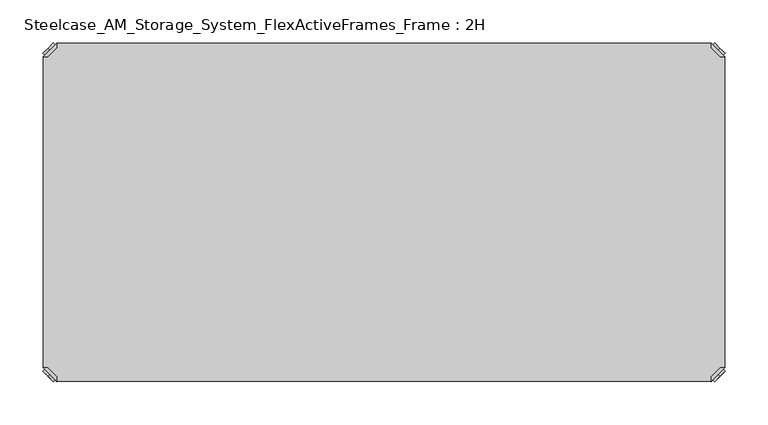
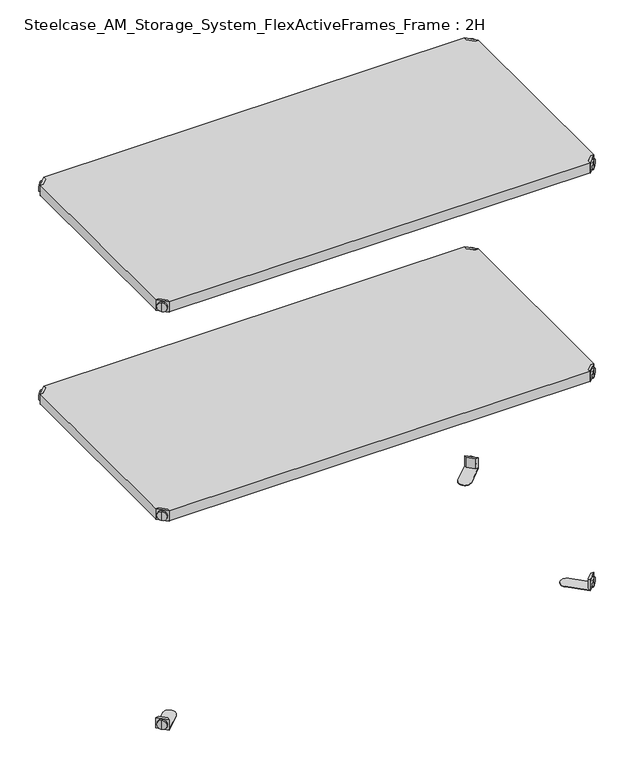
"""IFC4 building model written with IfcOpenShell, lengths in millimetres: furniture geometry, Steelcase_AM_Storage_System_FlexActiveFrames_Frame : 2H."""

from ifc_helpers import new_model, si_unit, frame, origin, place, context, project, spatial, polyline, circle_curve, outline, extrude, source, transform, mapped, element, save
from ifc_brep_helpers import plane_surface, cylinder_surface, advanced_brep


def steelcase_am_storage_system_flexactiveframes_frame_2h_59649669(model_context):
    return source(origin(), model_context, "Body", "SolidModel", [
        advanced_brep(
        [(789.0398449, -10.9601551, 498.5), (789.0398449, -10.9601551, 507.0), (789.0398449, -10.9601551, 515.5), (791.1611652, -8.8388348, 498.5), (791.1611652, -8.8388348, 515.5), (791.1611652, -8.8388348, 507.0)],
        [
            (0, 1),
            (1, 2),
            (2, 0, circle_curve(frame((789.0398449, -10.9601551, 507.0), z_axis=(-0.7071067811865556, -0.7071067811865395, 0.0), x_axis=(0.0, 0.0, 1.0)), 8.5)),
            (0, 2, circle_curve(frame((789.0398449, -10.9601551, 507.0), z_axis=(-0.7071067811865556, -0.7071067811865395, 0.0), x_axis=(0.0, 0.0, 1.0)), 8.5)),
            (3, 0),
            (2, 4),
            (4, 3, circle_curve(frame((791.1611652, -8.8388348, 507.0), z_axis=(-0.7071067811865556, -0.7071067811865395, 0.0), x_axis=(0.0, 0.0, 1.0)), 8.5)),
            (3, 4, circle_curve(frame((791.1611652, -8.8388348, 507.0), z_axis=(-0.7071067811865556, -0.7071067811865395, 0.0), x_axis=(0.0, 0.0, 1.0)), 8.5)),
            (5, 3),
            (4, 5),
        ],
        [
            plane_surface(frame((789.0398449, -10.9601551, 507.0), z_axis=(-0.7071067811865552, -0.7071067811865399, 0.0), x_axis=(0.0, 0.0, 1.0))),
            cylinder_surface(frame((791.1611652, -8.8388348, 507.0), z_axis=(0.7071067811865556, 0.7071067811865395, 0.0), x_axis=(0.0, 0.0, 1.0)), 8.5),
            plane_surface(frame((791.1611652, -8.8388348, 507.0), z_axis=(0.7071067811865552, 0.7071067811865399, 0.0), x_axis=(0.0, 0.0, 1.0))),
        ],
        [
            (0, [[1, 2, 3]]),
            (0, [[-2, -1, 4]]),
            (1, [[5, -3, 6, 7]]),
            (1, [[-6, -4, -5, 8]]),
            (2, [[9, -7, 10]]),
            (2, [[-10, -8, -9]]),
        ],
    ),
        advanced_brep(
        [(781.0796898, -3.0, 517.0), (781.0796898, -8.6568542, 517.0), (791.3431458, -18.9203102, 517.0), (797.0, -18.9203102, 517.0), (797.0, -18.9203102, 498.0), (797.0, -18.9203102, 497.0), (781.0796898, -3.0, 497.0), (781.0796898, -3.0, 498.0), (781.0796898, -8.6568542, 498.0), (791.3431458, -18.9203102, 498.0), (752.2702923, -31.8093975, 498.0), (768.1906025, -47.7297077, 498.0), (768.1906025, -47.7297077, 497.0), (752.2702923, -31.8093975, 497.0)],
        [
            (0, 1),
            (1, 2),
            (2, 3),
            (3, 0),
            (3, 4),
            (4, 5),
            (5, 6),
            (6, 7),
            (7, 0),
            (1, 8),
            (8, 9),
            (9, 2),
            (7, 8),
            (9, 4),
            (7, 10),
            (10, 11, circle_curve(frame((760.2304474, -39.7695526, 498.0), z_axis=(0.0, 0.0, 1.0), x_axis=(-1.0, 0.0, 0.0)), 11.2573593)),
            (11, 4),
            (5, 12),
            (12, 13, circle_curve(frame((760.2304474, -39.7695526, 497.0), z_axis=(0.0, 0.0, -1.0), x_axis=(-1.0, 0.0, 0.0)), 11.2573593)),
            (13, 6),
            (11, 12),
            (10, 13),
        ],
        [
            plane_surface(frame((838.8756299, -60.7959401, 517.0), z_axis=(0.0, 0.0, 1.0000000000000002), x_axis=(0.7071067811865465, -0.7071067811865487, 0.0))),
            plane_surface(frame((781.0796898, -3.0, 517.0), z_axis=(0.7071067811865487, 0.7071067811865465, 0.0), x_axis=(0.0, 0.0, -1.0))),
            plane_surface(frame((791.3431458, -18.9203102, 517.0), z_axis=(-0.7071067811865573, -0.7071067811865377, 0.0), x_axis=(0.0, 0.0, -1.0))),
            plane_surface(frame((781.0796898, -8.6568542, 517.0), z_axis=(-1.0, 0.0, 0.0), x_axis=(0.0, 0.0, -1.0))),
            plane_surface(frame((797.0, -18.9203102, 517.0), z_axis=(0.0, -1.0, 0.0), x_axis=(0.0, 0.0, -1.0))),
            plane_surface(frame((797.0, -18.9203102, 498.0), z_axis=(0.0, 0.0, 1.0), x_axis=(0.7071067811865392, -0.7071067811865558, 0.0))),
            plane_surface(frame((797.0, -18.9203102, 497.0), z_axis=(0.0, 0.0, -1.0), x_axis=(-0.7071067811865392, 0.7071067811865558, 0.0))),
            plane_surface(frame((797.0, -18.9203102, 498.0), z_axis=(0.7071067811865399, -0.7071067811865552, 0.0), x_axis=(0.0, 0.0, -1.0))),
            cylinder_surface(frame((760.2304474, -39.7695526, 497.0), z_axis=(0.0, 0.0, 1.0), x_axis=(-1.0, 0.0, 0.0)), 11.2573593),
            plane_surface(frame((752.2702923, -31.8093975, 498.0), z_axis=(-0.7071067811865388, 0.7071067811865563, 0.0), x_axis=(0.0, 0.0, -1.0))),
        ],
        [
            (0, [[1, 2, 3, 4]]),
            (1, [[5, 6, 7, 8, 9, -4]]),
            (2, [[10, 11, 12, -2]]),
            (3, [[-9, 13, -10, -1]]),
            (4, [[-12, 14, -5, -3]]),
            (5, [[-14, -11, -13, 15, 16, 17]]),
            (6, [[-7, 18, 19, 20]]),
            (7, [[21, -18, -6, -17]]),
            (8, [[22, -19, -21, -16]]),
            (9, [[-8, -20, -22, -15]]),
        ],
    ),
        advanced_brep(
        [(789.0398449, -389.0398449, 498.5), (789.0398449, -389.0398449, 515.5), (789.0398449, -389.0398449, 507.0), (791.1611652, -391.1611652, 498.5), (791.1611652, -391.1611652, 515.5), (791.1611652, -391.1611652, 507.0)],
        [
            (0, 1, circle_curve(frame((789.0398449, -389.0398449, 507.0), z_axis=(-0.7071067811865509, 0.7071067811865441, 0.0), x_axis=(0.0, 0.0, 1.0)), 8.5)),
            (1, 2),
            (2, 0),
            (1, 0, circle_curve(frame((789.0398449, -389.0398449, 507.0), z_axis=(-0.7071067811865509, 0.7071067811865441, 0.0), x_axis=(0.0, 0.0, 1.0)), 8.5)),
            (3, 4, circle_curve(frame((791.1611652, -391.1611652, 507.0), z_axis=(-0.7071067811865509, 0.7071067811865441, 0.0), x_axis=(0.0, 0.0, 1.0)), 8.5)),
            (4, 1),
            (0, 3),
            (4, 3, circle_curve(frame((791.1611652, -391.1611652, 507.0), z_axis=(-0.7071067811865509, 0.7071067811865441, 0.0), x_axis=(0.0, 0.0, 1.0)), 8.5)),
            (5, 4),
            (3, 5),
        ],
        [
            plane_surface(frame((789.0398449, -389.0398449, 507.0), z_axis=(-0.7071067811865506, 0.7071067811865446, 0.0), x_axis=(0.0, 0.0, 1.0))),
            cylinder_surface(frame((791.1611652, -391.1611652, 507.0), z_axis=(0.7071067811865509, -0.7071067811865441, 0.0), x_axis=(0.0, 0.0, 1.0)), 8.5),
            plane_surface(frame((791.1611652, -391.1611652, 507.0), z_axis=(0.7071067811865506, -0.7071067811865446, 0.0), x_axis=(0.0, 0.0, 1.0))),
        ],
        [
            (0, [[1, 2, 3]]),
            (0, [[4, -3, -2]]),
            (1, [[5, 6, -1, 7]]),
            (1, [[8, -7, -4, -6]]),
            (2, [[9, -5, 10]]),
            (2, [[-10, -8, -9]]),
        ],
    ),
        advanced_brep(
        [(781.0796898, -397.0, 517.0), (797.0, -381.0796898, 517.0), (791.3431458, -381.0796898, 517.0), (781.0796898, -391.3431458, 517.0), (781.0796898, -397.0, 498.0), (781.0796898, -397.0, 497.0), (797.0, -381.0796898, 497.0), (797.0, -381.0796898, 498.0), (791.3431458, -381.0796898, 498.0), (781.0796898, -391.3431458, 498.0), (768.1906025, -352.2702923, 498.0), (752.2702923, -368.1906025, 498.0), (752.2702923, -368.1906025, 497.0), (768.1906025, -352.2702923, 497.0)],
        [
            (0, 1),
            (1, 2),
            (2, 3),
            (3, 0),
            (0, 4),
            (4, 5),
            (5, 6),
            (6, 7),
            (7, 1),
            (2, 8),
            (8, 9),
            (9, 3),
            (9, 4),
            (7, 8),
            (7, 10),
            (10, 11, circle_curve(frame((760.2304474, -360.2304474, 498.0), z_axis=(0.0, 0.0, 1.0), x_axis=(-1.0, 0.0, 0.0)), 11.2573593)),
            (11, 4),
            (5, 12),
            (12, 13, circle_curve(frame((760.2304474, -360.2304474, 497.0), z_axis=(0.0, 0.0, -1.0), x_axis=(-1.0, 0.0, 0.0)), 11.2573593)),
            (13, 6),
            (13, 10),
            (12, 11),
        ],
        [
            plane_surface(frame((838.8756299, -339.2040599, 517.0), z_axis=(0.0, 0.0, 1.0000000000000002), x_axis=(0.7071067811865511, 0.707106781186544, 0.0))),
            plane_surface(frame((781.0796898, -397.0, 517.0), z_axis=(0.707106781186544, -0.7071067811865511, 0.0), x_axis=(0.0, 0.0, -1.0))),
            plane_surface(frame((791.3431458, -381.0796898, 517.0), z_axis=(-0.7071067811865527, 0.7071067811865424, 0.0), x_axis=(0.0, 0.0, -1.0))),
            plane_surface(frame((781.0796898, -391.3431458, 517.0), z_axis=(-1.0, 0.0, 0.0), x_axis=(0.0, 0.0, -1.0))),
            plane_surface(frame((797.0, -381.0796898, 517.0), z_axis=(0.0, 1.0, 0.0), x_axis=(0.0, 0.0, -1.0))),
            plane_surface(frame((797.0, -381.0796898, 498.0), z_axis=(0.0, 0.0, 1.0), x_axis=(0.7071067811865439, 0.7071067811865511, 0.0))),
            plane_surface(frame((797.0, -381.0796898, 497.0), z_axis=(0.0, 0.0, -1.0), x_axis=(-0.7071067811865439, -0.7071067811865511, 0.0))),
            plane_surface(frame((797.0, -381.0796898, 498.0), z_axis=(0.7071067811865446, 0.7071067811865506, 0.0), x_axis=(0.0, 0.0, -1.0))),
            cylinder_surface(frame((760.2304474, -360.2304474, 497.0), z_axis=(0.0, 0.0, 1.0), x_axis=(-1.0, 0.0, 0.0)), 11.2573593),
            plane_surface(frame((752.2702923, -368.1906025, 498.0), z_axis=(-0.7071067811865435, -0.7071067811865517, 0.0), x_axis=(0.0, 0.0, -1.0))),
        ],
        [
            (0, [[1, 2, 3, 4]]),
            (1, [[-1, 5, 6, 7, 8, 9]]),
            (2, [[-3, 10, 11, 12]]),
            (3, [[-4, -12, 13, -5]]),
            (4, [[-2, -9, 14, -10]]),
            (5, [[15, 16, 17, -13, -11, -14]]),
            (6, [[18, 19, 20, -7]]),
            (7, [[-15, -8, -20, 21]]),
            (8, [[-16, -21, -19, 22]]),
            (9, [[-17, -22, -18, -6]]),
        ],
    ),
        advanced_brep(
        [(10.9601551, -389.0398449, 498.5), (10.9601551, -389.0398449, 507.0), (10.9601551, -389.0398449, 515.5), (8.8388348, -391.1611652, 498.5), (8.8388348, -391.1611652, 515.5), (8.8388348, -391.1611652, 507.0)],
        [
            (0, 1),
            (1, 2),
            (2, 0, circle_curve(frame((10.9601551, -389.0398449, 507.0), z_axis=(0.7071067811865509, 0.7071067811865441, 0.0), x_axis=(0.0, 0.0, 1.0)), 8.5)),
            (0, 2, circle_curve(frame((10.9601551, -389.0398449, 507.0), z_axis=(0.7071067811865509, 0.7071067811865441, 0.0), x_axis=(0.0, 0.0, 1.0)), 8.5)),
            (3, 0),
            (2, 4),
            (4, 3, circle_curve(frame((8.8388348, -391.1611652, 507.0), z_axis=(0.7071067811865509, 0.7071067811865441, 0.0), x_axis=(0.0, 0.0, 1.0)), 8.5)),
            (3, 4, circle_curve(frame((8.8388348, -391.1611652, 507.0), z_axis=(0.7071067811865509, 0.7071067811865441, 0.0), x_axis=(0.0, 0.0, 1.0)), 8.5)),
            (5, 3),
            (4, 5),
        ],
        [
            plane_surface(frame((10.9601551, -389.0398449, 507.0), z_axis=(0.7071067811865506, 0.7071067811865446, 0.0), x_axis=(0.0, 0.0, 1.0))),
            cylinder_surface(frame((8.8388348, -391.1611652, 507.0), z_axis=(-0.7071067811865509, -0.7071067811865441, 0.0), x_axis=(0.0, 0.0, 1.0)), 8.5),
            plane_surface(frame((8.8388348, -391.1611652, 507.0), z_axis=(-0.7071067811865506, -0.7071067811865446, 0.0), x_axis=(0.0, 0.0, 1.0))),
        ],
        [
            (0, [[1, 2, 3]]),
            (0, [[-2, -1, 4]]),
            (1, [[5, -3, 6, 7]]),
            (1, [[-6, -4, -5, 8]]),
            (2, [[9, -7, 10]]),
            (2, [[-10, -8, -9]]),
        ],
    ),
        advanced_brep(
        [(18.9203102, -397.0, 517.0), (18.9203102, -391.3431458, 517.0), (8.6568542, -381.0796898, 517.0), (3.0, -381.0796898, 517.0), (3.0, -381.0796898, 498.0), (3.0, -381.0796898, 497.0), (18.9203102, -397.0, 497.0), (18.9203102, -397.0, 498.0), (18.9203102, -391.3431458, 498.0), (8.6568542, -381.0796898, 498.0), (47.7297077, -368.1906025, 498.0), (31.8093975, -352.2702923, 498.0), (31.8093975, -352.2702923, 497.0), (47.7297077, -368.1906025, 497.0)],
        [
            (0, 1),
            (1, 2),
            (2, 3),
            (3, 0),
            (3, 4),
            (4, 5),
            (5, 6),
            (6, 7),
            (7, 0),
            (1, 8),
            (8, 9),
            (9, 2),
            (7, 8),
            (9, 4),
            (7, 10),
            (10, 11, circle_curve(frame((39.7695526, -360.2304474, 498.0), z_axis=(0.0, 0.0, 1.0), x_axis=(1.0, 0.0, 0.0)), 11.2573593)),
            (11, 4),
            (5, 12),
            (12, 13, circle_curve(frame((39.7695526, -360.2304474, 497.0), z_axis=(0.0, 0.0, -1.0), x_axis=(1.0, 0.0, 0.0)), 11.2573593)),
            (13, 6),
            (11, 12),
            (10, 13),
        ],
        [
            plane_surface(frame((-38.8756299, -339.2040599, 517.0), z_axis=(0.0, 0.0, 1.0000000000000002), x_axis=(-0.7071067811865511, 0.707106781186544, 0.0))),
            plane_surface(frame((18.9203102, -397.0, 517.0), z_axis=(-0.707106781186544, -0.7071067811865511, 0.0), x_axis=(0.0, 0.0, -1.0))),
            plane_surface(frame((8.6568542, -381.0796898, 517.0), z_axis=(0.7071067811865527, 0.7071067811865424, 0.0), x_axis=(0.0, 0.0, -1.0))),
            plane_surface(frame((18.9203102, -391.3431458, 517.0), z_axis=(1.0, 0.0, 0.0), x_axis=(0.0, 0.0, -1.0))),
            plane_surface(frame((3.0, -381.0796898, 517.0), z_axis=(0.0, 1.0, 0.0), x_axis=(0.0, 0.0, -1.0))),
            plane_surface(frame((3.0, -381.0796898, 498.0), z_axis=(0.0, 0.0, 1.0), x_axis=(-0.7071067811865439, 0.7071067811865511, 0.0))),
            plane_surface(frame((3.0, -381.0796898, 497.0), z_axis=(0.0, 0.0, -1.0), x_axis=(0.7071067811865439, -0.7071067811865511, 0.0))),
            plane_surface(frame((3.0, -381.0796898, 498.0), z_axis=(-0.7071067811865446, 0.7071067811865506, 0.0), x_axis=(0.0, 0.0, -1.0))),
            cylinder_surface(frame((39.7695526, -360.2304474, 497.0), z_axis=(0.0, 0.0, 1.0), x_axis=(1.0, 0.0, 0.0)), 11.2573593),
            plane_surface(frame((47.7297077, -368.1906025, 498.0), z_axis=(0.7071067811865435, -0.7071067811865517, 0.0), x_axis=(0.0, 0.0, -1.0))),
        ],
        [
            (0, [[1, 2, 3, 4]]),
            (1, [[5, 6, 7, 8, 9, -4]]),
            (2, [[10, 11, 12, -2]]),
            (3, [[-9, 13, -10, -1]]),
            (4, [[-12, 14, -5, -3]]),
            (5, [[-14, -11, -13, 15, 16, 17]]),
            (6, [[-7, 18, 19, 20]]),
            (7, [[21, -18, -6, -17]]),
            (8, [[22, -19, -21, -16]]),
            (9, [[-8, -20, -22, -15]]),
        ],
    ),
        advanced_brep(
        [(10.9601551, -10.9601551, 498.5), (10.9601551, -10.9601551, 515.5), (10.9601551, -10.9601551, 507.0), (8.8388348, -8.8388348, 498.5), (8.8388348, -8.8388348, 515.5), (8.8388348, -8.8388348, 507.0)],
        [
            (0, 1, circle_curve(frame((10.9601551, -10.9601551, 507.0), z_axis=(0.7071067811865464, -0.7071067811865487, 0.0), x_axis=(0.0, 0.0, 1.0)), 8.5)),
            (1, 2),
            (2, 0),
            (1, 0, circle_curve(frame((10.9601551, -10.9601551, 507.0), z_axis=(0.7071067811865464, -0.7071067811865487, 0.0), x_axis=(0.0, 0.0, 1.0)), 8.5)),
            (3, 4, circle_curve(frame((8.8388348, -8.8388348, 507.0), z_axis=(0.7071067811865464, -0.7071067811865487, 0.0), x_axis=(0.0, 0.0, 1.0)), 8.5)),
            (4, 1),
            (0, 3),
            (4, 3, circle_curve(frame((8.8388348, -8.8388348, 507.0), z_axis=(0.7071067811865464, -0.7071067811865487, 0.0), x_axis=(0.0, 0.0, 1.0)), 8.5)),
            (5, 4),
            (3, 5),
        ],
        [
            plane_surface(frame((10.9601551, -10.9601551, 507.0), z_axis=(0.707106781186546, -0.7071067811865491, 0.0), x_axis=(0.0, 0.0, 1.0))),
            cylinder_surface(frame((8.8388348, -8.8388348, 507.0), z_axis=(-0.7071067811865464, 0.7071067811865487, 0.0), x_axis=(0.0, 0.0, 1.0)), 8.5),
            plane_surface(frame((8.8388348, -8.8388348, 507.0), z_axis=(-0.707106781186546, 0.7071067811865491, 0.0), x_axis=(0.0, 0.0, 1.0))),
        ],
        [
            (0, [[1, 2, 3]]),
            (0, [[4, -3, -2]]),
            (1, [[5, 6, -1, 7]]),
            (1, [[8, -7, -4, -6]]),
            (2, [[9, -5, 10]]),
            (2, [[-10, -8, -9]]),
        ],
    ),
        advanced_brep(
        [(18.9203102, -3.0, 517.0), (3.0, -18.9203102, 517.0), (8.6568542, -18.9203102, 517.0), (18.9203102, -8.6568542, 517.0), (18.9203102, -3.0, 498.0), (18.9203102, -3.0, 497.0), (3.0, -18.9203102, 497.0), (3.0, -18.9203102, 498.0), (8.6568542, -18.9203102, 498.0), (18.9203102, -8.6568542, 498.0), (31.8093975, -47.7297077, 498.0), (47.7297077, -31.8093975, 498.0), (47.7297077, -31.8093975, 497.0), (31.8093975, -47.7297077, 497.0)],
        [
            (0, 1),
            (1, 2),
            (2, 3),
            (3, 0),
            (0, 4),
            (4, 5),
            (5, 6),
            (6, 7),
            (7, 1),
            (2, 8),
            (8, 9),
            (9, 3),
            (9, 4),
            (7, 8),
            (7, 10),
            (10, 11, circle_curve(frame((39.7695526, -39.7695526, 498.0), z_axis=(0.0, 0.0, 1.0), x_axis=(1.0, 0.0, 0.0)), 11.2573593)),
            (11, 4),
            (5, 12),
            (12, 13, circle_curve(frame((39.7695526, -39.7695526, 497.0), z_axis=(0.0, 0.0, -1.0), x_axis=(1.0, 0.0, 0.0)), 11.2573593)),
            (13, 6),
            (13, 10),
            (12, 11),
        ],
        [
            plane_surface(frame((-38.8756299, -60.7959401, 517.0), z_axis=(0.0, 0.0, 1.0000000000000002), x_axis=(-0.7071067811865557, -0.7071067811865395, 0.0))),
            plane_surface(frame((18.9203102, -3.0, 517.0), z_axis=(-0.7071067811865395, 0.7071067811865557, 0.0), x_axis=(0.0, 0.0, -1.0))),
            plane_surface(frame((8.6568542, -18.9203102, 517.0), z_axis=(0.7071067811865481, -0.7071067811865469, 0.0), x_axis=(0.0, 0.0, -1.0))),
            plane_surface(frame((18.9203102, -8.6568542, 517.0), z_axis=(1.0, 0.0, 0.0), x_axis=(0.0, 0.0, -1.0))),
            plane_surface(frame((3.0, -18.9203102, 517.0), z_axis=(0.0, -1.0, 0.0), x_axis=(0.0, 0.0, -1.0))),
            plane_surface(frame((3.0, -18.9203102, 498.0), z_axis=(0.0, 0.0, 1.0), x_axis=(-0.7071067811865485, -0.7071067811865466, 0.0))),
            plane_surface(frame((3.0, -18.9203102, 497.0), z_axis=(0.0, 0.0, -1.0), x_axis=(0.7071067811865485, 0.7071067811865466, 0.0))),
            plane_surface(frame((3.0, -18.9203102, 498.0), z_axis=(-0.7071067811865491, -0.707106781186546, 0.0), x_axis=(0.0, 0.0, -1.0))),
            cylinder_surface(frame((39.7695526, -39.7695526, 497.0), z_axis=(0.0, 0.0, 1.0), x_axis=(1.0, 0.0, 0.0)), 11.2573593),
            plane_surface(frame((47.7297077, -31.8093975, 498.0), z_axis=(0.707106781186548, 0.7071067811865471, 0.0), x_axis=(0.0, 0.0, -1.0))),
        ],
        [
            (0, [[1, 2, 3, 4]]),
            (1, [[-1, 5, 6, 7, 8, 9]]),
            (2, [[-3, 10, 11, 12]]),
            (3, [[-4, -12, 13, -5]]),
            (4, [[-2, -9, 14, -10]]),
            (5, [[15, 16, 17, -13, -11, -14]]),
            (6, [[18, 19, 20, -7]]),
            (7, [[-15, -8, -20, 21]]),
            (8, [[-16, -21, -19, 22]]),
            (9, [[-17, -22, -18, -6]]),
        ],
    ),
        extrude(outline(polyline([(781.0796898, -3.0), (781.0796898, -8.6568542), (791.3431458, -18.9203102), (797.0, -18.9203102), (797.0, -381.0796898), (791.3431458, -381.0796898), (781.0796898, -391.3431458), (781.0796898, -397.0), (18.9203102, -397.0), (18.9203102, -391.3431458), (8.6568542, -381.0796898), (3.0, -381.0796898), (3.0, -18.9203102), (8.6568542, -18.9203102), (18.9203102, -8.6568542), (18.9203102, -3.0), (781.0796898, -3.0)])), frame((0.0, 0.0, 498.0), z_axis=(0.0, 0.0, 1.0), x_axis=(1.0, 0.0, 0.0)), (0.0, 0.0, 1.0), 19.0),
        advanced_brep(
        [(789.0398449, -10.9601551, 898.5), (789.0398449, -10.9601551, 907.0), (789.0398449, -10.9601551, 915.5), (791.1611652, -8.8388348, 898.5), (791.1611652, -8.8388348, 915.5), (791.1611652, -8.8388348, 907.0)],
        [
            (0, 1),
            (1, 2),
            (2, 0, circle_curve(frame((789.0398449, -10.9601551, 907.0), z_axis=(-0.7071067811865556, -0.7071067811865395, 0.0), x_axis=(0.0, 0.0, 1.0)), 8.5)),
            (0, 2, circle_curve(frame((789.0398449, -10.9601551, 907.0), z_axis=(-0.7071067811865556, -0.7071067811865395, 0.0), x_axis=(0.0, 0.0, 1.0)), 8.5)),
            (3, 0),
            (2, 4),
            (4, 3, circle_curve(frame((791.1611652, -8.8388348, 907.0), z_axis=(-0.7071067811865556, -0.7071067811865395, 0.0), x_axis=(0.0, 0.0, 1.0)), 8.5)),
            (3, 4, circle_curve(frame((791.1611652, -8.8388348, 907.0), z_axis=(-0.7071067811865556, -0.7071067811865395, 0.0), x_axis=(0.0, 0.0, 1.0)), 8.5)),
            (5, 3),
            (4, 5),
        ],
        [
            plane_surface(frame((789.0398449, -10.9601551, 907.0), z_axis=(-0.7071067811865552, -0.7071067811865399, 0.0), x_axis=(0.0, 0.0, 1.0))),
            cylinder_surface(frame((791.1611652, -8.8388348, 907.0), z_axis=(0.7071067811865556, 0.7071067811865395, 0.0), x_axis=(0.0, 0.0, 1.0)), 8.5),
            plane_surface(frame((791.1611652, -8.8388348, 907.0), z_axis=(0.7071067811865552, 0.7071067811865399, 0.0), x_axis=(0.0, 0.0, 1.0))),
        ],
        [
            (0, [[1, 2, 3]]),
            (0, [[-2, -1, 4]]),
            (1, [[5, -3, 6, 7]]),
            (1, [[-6, -4, -5, 8]]),
            (2, [[9, -7, 10]]),
            (2, [[-10, -8, -9]]),
        ],
    ),
        advanced_brep(
        [(781.0796898, -3.0, 917.0), (781.0796898, -8.6568542, 917.0), (791.3431458, -18.9203102, 917.0), (797.0, -18.9203102, 917.0), (797.0, -18.9203102, 898.0), (797.0, -18.9203102, 897.0), (781.0796898, -3.0, 897.0), (781.0796898, -3.0, 898.0), (781.0796898, -8.6568542, 898.0), (791.3431458, -18.9203102, 898.0), (752.2702923, -31.8093975, 898.0), (768.1906025, -47.7297077, 898.0), (768.1906025, -47.7297077, 897.0), (752.2702923, -31.8093975, 897.0)],
        [
            (0, 1),
            (1, 2),
            (2, 3),
            (3, 0),
            (3, 4),
            (4, 5),
            (5, 6),
            (6, 7),
            (7, 0),
            (1, 8),
            (8, 9),
            (9, 2),
            (7, 8),
            (9, 4),
            (7, 10),
            (10, 11, circle_curve(frame((760.2304474, -39.7695526, 898.0), z_axis=(0.0, 0.0, 1.0), x_axis=(-1.0, 0.0, 0.0)), 11.2573593)),
            (11, 4),
            (5, 12),
            (12, 13, circle_curve(frame((760.2304474, -39.7695526, 897.0), z_axis=(0.0, 0.0, -1.0), x_axis=(-1.0, 0.0, 0.0)), 11.2573593)),
            (13, 6),
            (11, 12),
            (10, 13),
        ],
        [
            plane_surface(frame((838.8756299, -60.7959401, 917.0), z_axis=(0.0, 0.0, 1.0000000000000002), x_axis=(0.7071067811865465, -0.7071067811865487, 0.0))),
            plane_surface(frame((781.0796898, -3.0, 917.0), z_axis=(0.7071067811865487, 0.7071067811865465, 0.0), x_axis=(0.0, 0.0, -1.0))),
            plane_surface(frame((791.3431458, -18.9203102, 917.0), z_axis=(-0.7071067811865573, -0.7071067811865377, 0.0), x_axis=(0.0, 0.0, -1.0))),
            plane_surface(frame((781.0796898, -8.6568542, 917.0), z_axis=(-1.0, 0.0, 0.0), x_axis=(0.0, 0.0, -1.0))),
            plane_surface(frame((797.0, -18.9203102, 917.0), z_axis=(0.0, -1.0, 0.0), x_axis=(0.0, 0.0, -1.0))),
            plane_surface(frame((797.0, -18.9203102, 898.0), z_axis=(0.0, 0.0, 1.0), x_axis=(0.7071067811865392, -0.7071067811865558, 0.0))),
            plane_surface(frame((797.0, -18.9203102, 897.0), z_axis=(0.0, 0.0, -1.0), x_axis=(-0.7071067811865392, 0.7071067811865558, 0.0))),
            plane_surface(frame((797.0, -18.9203102, 898.0), z_axis=(0.7071067811865399, -0.7071067811865552, 0.0), x_axis=(0.0, 0.0, -1.0))),
            cylinder_surface(frame((760.2304474, -39.7695526, 897.0), z_axis=(0.0, 0.0, 1.0), x_axis=(-1.0, 0.0, 0.0)), 11.2573593),
            plane_surface(frame((752.2702923, -31.8093975, 898.0), z_axis=(-0.7071067811865388, 0.7071067811865563, 0.0), x_axis=(0.0, 0.0, -1.0))),
        ],
        [
            (0, [[1, 2, 3, 4]]),
            (1, [[5, 6, 7, 8, 9, -4]]),
            (2, [[10, 11, 12, -2]]),
            (3, [[-9, 13, -10, -1]]),
            (4, [[-12, 14, -5, -3]]),
            (5, [[-14, -11, -13, 15, 16, 17]]),
            (6, [[-7, 18, 19, 20]]),
            (7, [[21, -18, -6, -17]]),
            (8, [[22, -19, -21, -16]]),
            (9, [[-8, -20, -22, -15]]),
        ],
    ),
        advanced_brep(
        [(789.0398449, -389.0398449, 898.5), (789.0398449, -389.0398449, 915.5), (789.0398449, -389.0398449, 907.0), (791.1611652, -391.1611652, 898.5), (791.1611652, -391.1611652, 915.5), (791.1611652, -391.1611652, 907.0)],
        [
            (0, 1, circle_curve(frame((789.0398449, -389.0398449, 907.0), z_axis=(-0.7071067811865509, 0.7071067811865441, 0.0), x_axis=(0.0, 0.0, 1.0)), 8.5)),
            (1, 2),
            (2, 0),
            (1, 0, circle_curve(frame((789.0398449, -389.0398449, 907.0), z_axis=(-0.7071067811865509, 0.7071067811865441, 0.0), x_axis=(0.0, 0.0, 1.0)), 8.5)),
            (3, 4, circle_curve(frame((791.1611652, -391.1611652, 907.0), z_axis=(-0.7071067811865509, 0.7071067811865441, 0.0), x_axis=(0.0, 0.0, 1.0)), 8.5)),
            (4, 1),
            (0, 3),
            (4, 3, circle_curve(frame((791.1611652, -391.1611652, 907.0), z_axis=(-0.7071067811865509, 0.7071067811865441, 0.0), x_axis=(0.0, 0.0, 1.0)), 8.5)),
            (5, 4),
            (3, 5),
        ],
        [
            plane_surface(frame((789.0398449, -389.0398449, 907.0), z_axis=(-0.7071067811865506, 0.7071067811865446, 0.0), x_axis=(0.0, 0.0, 1.0))),
            cylinder_surface(frame((791.1611652, -391.1611652, 907.0), z_axis=(0.7071067811865509, -0.7071067811865441, 0.0), x_axis=(0.0, 0.0, 1.0)), 8.5),
            plane_surface(frame((791.1611652, -391.1611652, 907.0), z_axis=(0.7071067811865506, -0.7071067811865446, 0.0), x_axis=(0.0, 0.0, 1.0))),
        ],
        [
            (0, [[1, 2, 3]]),
            (0, [[4, -3, -2]]),
            (1, [[5, 6, -1, 7]]),
            (1, [[8, -7, -4, -6]]),
            (2, [[9, -5, 10]]),
            (2, [[-10, -8, -9]]),
        ],
    ),
        advanced_brep(
        [(781.0796898, -397.0, 917.0), (797.0, -381.0796898, 917.0), (791.3431458, -381.0796898, 917.0), (781.0796898, -391.3431458, 917.0), (781.0796898, -397.0, 898.0), (781.0796898, -397.0, 897.0), (797.0, -381.0796898, 897.0), (797.0, -381.0796898, 898.0), (791.3431458, -381.0796898, 898.0), (781.0796898, -391.3431458, 898.0), (768.1906025, -352.2702923, 898.0), (752.2702923, -368.1906025, 898.0), (752.2702923, -368.1906025, 897.0), (768.1906025, -352.2702923, 897.0)],
        [
            (0, 1),
            (1, 2),
            (2, 3),
            (3, 0),
            (0, 4),
            (4, 5),
            (5, 6),
            (6, 7),
            (7, 1),
            (2, 8),
            (8, 9),
            (9, 3),
            (9, 4),
            (7, 8),
            (7, 10),
            (10, 11, circle_curve(frame((760.2304474, -360.2304474, 898.0), z_axis=(0.0, 0.0, 1.0), x_axis=(-1.0, 0.0, 0.0)), 11.2573593)),
            (11, 4),
            (5, 12),
            (12, 13, circle_curve(frame((760.2304474, -360.2304474, 897.0), z_axis=(0.0, 0.0, -1.0), x_axis=(-1.0, 0.0, 0.0)), 11.2573593)),
            (13, 6),
            (13, 10),
            (12, 11),
        ],
        [
            plane_surface(frame((838.8756299, -339.2040599, 917.0), z_axis=(0.0, 0.0, 1.0000000000000002), x_axis=(0.7071067811865511, 0.707106781186544, 0.0))),
            plane_surface(frame((781.0796898, -397.0, 917.0), z_axis=(0.707106781186544, -0.7071067811865511, 0.0), x_axis=(0.0, 0.0, -1.0))),
            plane_surface(frame((791.3431458, -381.0796898, 917.0), z_axis=(-0.7071067811865527, 0.7071067811865424, 0.0), x_axis=(0.0, 0.0, -1.0))),
            plane_surface(frame((781.0796898, -391.3431458, 917.0), z_axis=(-1.0, 0.0, 0.0), x_axis=(0.0, 0.0, -1.0))),
            plane_surface(frame((797.0, -381.0796898, 917.0), z_axis=(0.0, 1.0, 0.0), x_axis=(0.0, 0.0, -1.0))),
            plane_surface(frame((797.0, -381.0796898, 898.0), z_axis=(0.0, 0.0, 1.0), x_axis=(0.7071067811865439, 0.7071067811865511, 0.0))),
            plane_surface(frame((797.0, -381.0796898, 897.0), z_axis=(0.0, 0.0, -1.0), x_axis=(-0.7071067811865439, -0.7071067811865511, 0.0))),
            plane_surface(frame((797.0, -381.0796898, 898.0), z_axis=(0.7071067811865446, 0.7071067811865506, 0.0), x_axis=(0.0, 0.0, -1.0))),
            cylinder_surface(frame((760.2304474, -360.2304474, 897.0), z_axis=(0.0, 0.0, 1.0), x_axis=(-1.0, 0.0, 0.0)), 11.2573593),
            plane_surface(frame((752.2702923, -368.1906025, 898.0), z_axis=(-0.7071067811865435, -0.7071067811865517, 0.0), x_axis=(0.0, 0.0, -1.0))),
        ],
        [
            (0, [[1, 2, 3, 4]]),
            (1, [[-1, 5, 6, 7, 8, 9]]),
            (2, [[-3, 10, 11, 12]]),
            (3, [[-4, -12, 13, -5]]),
            (4, [[-2, -9, 14, -10]]),
            (5, [[15, 16, 17, -13, -11, -14]]),
            (6, [[18, 19, 20, -7]]),
            (7, [[-15, -8, -20, 21]]),
            (8, [[-16, -21, -19, 22]]),
            (9, [[-17, -22, -18, -6]]),
        ],
    ),
        advanced_brep(
        [(10.9601551, -389.0398449, 898.5), (10.9601551, -389.0398449, 907.0), (10.9601551, -389.0398449, 915.5), (8.8388348, -391.1611652, 898.5), (8.8388348, -391.1611652, 915.5), (8.8388348, -391.1611652, 907.0)],
        [
            (0, 1),
            (1, 2),
            (2, 0, circle_curve(frame((10.9601551, -389.0398449, 907.0), z_axis=(0.7071067811865509, 0.7071067811865441, 0.0), x_axis=(0.0, 0.0, 1.0)), 8.5)),
            (0, 2, circle_curve(frame((10.9601551, -389.0398449, 907.0), z_axis=(0.7071067811865509, 0.7071067811865441, 0.0), x_axis=(0.0, 0.0, 1.0)), 8.5)),
            (3, 0),
            (2, 4),
            (4, 3, circle_curve(frame((8.8388348, -391.1611652, 907.0), z_axis=(0.7071067811865509, 0.7071067811865441, 0.0), x_axis=(0.0, 0.0, 1.0)), 8.5)),
            (3, 4, circle_curve(frame((8.8388348, -391.1611652, 907.0), z_axis=(0.7071067811865509, 0.7071067811865441, 0.0), x_axis=(0.0, 0.0, 1.0)), 8.5)),
            (5, 3),
            (4, 5),
        ],
        [
            plane_surface(frame((10.9601551, -389.0398449, 907.0), z_axis=(0.7071067811865506, 0.7071067811865446, 0.0), x_axis=(0.0, 0.0, 1.0))),
            cylinder_surface(frame((8.8388348, -391.1611652, 907.0), z_axis=(-0.7071067811865509, -0.7071067811865441, 0.0), x_axis=(0.0, 0.0, 1.0)), 8.5),
            plane_surface(frame((8.8388348, -391.1611652, 907.0), z_axis=(-0.7071067811865506, -0.7071067811865446, 0.0), x_axis=(0.0, 0.0, 1.0))),
        ],
        [
            (0, [[1, 2, 3]]),
            (0, [[-2, -1, 4]]),
            (1, [[5, -3, 6, 7]]),
            (1, [[-6, -4, -5, 8]]),
            (2, [[9, -7, 10]]),
            (2, [[-10, -8, -9]]),
        ],
    ),
        advanced_brep(
        [(18.9203102, -397.0, 917.0), (18.9203102, -391.3431458, 917.0), (8.6568542, -381.0796898, 917.0), (3.0, -381.0796898, 917.0), (3.0, -381.0796898, 898.0), (3.0, -381.0796898, 897.0), (18.9203102, -397.0, 897.0), (18.9203102, -397.0, 898.0), (18.9203102, -391.3431458, 898.0), (8.6568542, -381.0796898, 898.0), (47.7297077, -368.1906025, 898.0), (31.8093975, -352.2702923, 898.0), (31.8093975, -352.2702923, 897.0), (47.7297077, -368.1906025, 897.0)],
        [
            (0, 1),
            (1, 2),
            (2, 3),
            (3, 0),
            (3, 4),
            (4, 5),
            (5, 6),
            (6, 7),
            (7, 0),
            (1, 8),
            (8, 9),
            (9, 2),
            (7, 8),
            (9, 4),
            (7, 10),
            (10, 11, circle_curve(frame((39.7695526, -360.2304474, 898.0), z_axis=(0.0, 0.0, 1.0), x_axis=(1.0, 0.0, 0.0)), 11.2573593)),
            (11, 4),
            (5, 12),
            (12, 13, circle_curve(frame((39.7695526, -360.2304474, 897.0), z_axis=(0.0, 0.0, -1.0), x_axis=(1.0, 0.0, 0.0)), 11.2573593)),
            (13, 6),
            (11, 12),
            (10, 13),
        ],
        [
            plane_surface(frame((-38.8756299, -339.2040599, 917.0), z_axis=(0.0, 0.0, 1.0000000000000002), x_axis=(-0.7071067811865511, 0.707106781186544, 0.0))),
            plane_surface(frame((18.9203102, -397.0, 917.0), z_axis=(-0.707106781186544, -0.7071067811865511, 0.0), x_axis=(0.0, 0.0, -1.0))),
            plane_surface(frame((8.6568542, -381.0796898, 917.0), z_axis=(0.7071067811865527, 0.7071067811865424, 0.0), x_axis=(0.0, 0.0, -1.0))),
            plane_surface(frame((18.9203102, -391.3431458, 917.0), z_axis=(1.0, 0.0, 0.0), x_axis=(0.0, 0.0, -1.0))),
            plane_surface(frame((3.0, -381.0796898, 917.0), z_axis=(0.0, 1.0, 0.0), x_axis=(0.0, 0.0, -1.0))),
            plane_surface(frame((3.0, -381.0796898, 898.0), z_axis=(0.0, 0.0, 1.0), x_axis=(-0.7071067811865439, 0.7071067811865511, 0.0))),
            plane_surface(frame((3.0, -381.0796898, 897.0), z_axis=(0.0, 0.0, -1.0), x_axis=(0.7071067811865439, -0.7071067811865511, 0.0))),
            plane_surface(frame((3.0, -381.0796898, 898.0), z_axis=(-0.7071067811865446, 0.7071067811865506, 0.0), x_axis=(0.0, 0.0, -1.0))),
            cylinder_surface(frame((39.7695526, -360.2304474, 897.0), z_axis=(0.0, 0.0, 1.0), x_axis=(1.0, 0.0, 0.0)), 11.2573593),
            plane_surface(frame((47.7297077, -368.1906025, 898.0), z_axis=(0.7071067811865435, -0.7071067811865517, 0.0), x_axis=(0.0, 0.0, -1.0))),
        ],
        [
            (0, [[1, 2, 3, 4]]),
            (1, [[5, 6, 7, 8, 9, -4]]),
            (2, [[10, 11, 12, -2]]),
            (3, [[-9, 13, -10, -1]]),
            (4, [[-12, 14, -5, -3]]),
            (5, [[-14, -11, -13, 15, 16, 17]]),
            (6, [[-7, 18, 19, 20]]),
            (7, [[21, -18, -6, -17]]),
            (8, [[22, -19, -21, -16]]),
            (9, [[-8, -20, -22, -15]]),
        ],
    ),
        advanced_brep(
        [(10.9601551, -10.9601551, 898.5), (10.9601551, -10.9601551, 915.5), (10.9601551, -10.9601551, 907.0), (8.8388348, -8.8388348, 898.5), (8.8388348, -8.8388348, 915.5), (8.8388348, -8.8388348, 907.0)],
        [
            (0, 1, circle_curve(frame((10.9601551, -10.9601551, 907.0), z_axis=(0.7071067811865464, -0.7071067811865487, 0.0), x_axis=(0.0, 0.0, 1.0)), 8.5)),
            (1, 2),
            (2, 0),
            (1, 0, circle_curve(frame((10.9601551, -10.9601551, 907.0), z_axis=(0.7071067811865464, -0.7071067811865487, 0.0), x_axis=(0.0, 0.0, 1.0)), 8.5)),
            (3, 4, circle_curve(frame((8.8388348, -8.8388348, 907.0), z_axis=(0.7071067811865464, -0.7071067811865487, 0.0), x_axis=(0.0, 0.0, 1.0)), 8.5)),
            (4, 1),
            (0, 3),
            (4, 3, circle_curve(frame((8.8388348, -8.8388348, 907.0), z_axis=(0.7071067811865464, -0.7071067811865487, 0.0), x_axis=(0.0, 0.0, 1.0)), 8.5)),
            (5, 4),
            (3, 5),
        ],
        [
            plane_surface(frame((10.9601551, -10.9601551, 907.0), z_axis=(0.707106781186546, -0.7071067811865491, 0.0), x_axis=(0.0, 0.0, 1.0))),
            cylinder_surface(frame((8.8388348, -8.8388348, 907.0), z_axis=(-0.7071067811865464, 0.7071067811865487, 0.0), x_axis=(0.0, 0.0, 1.0)), 8.5),
            plane_surface(frame((8.8388348, -8.8388348, 907.0), z_axis=(-0.707106781186546, 0.7071067811865491, 0.0), x_axis=(0.0, 0.0, 1.0))),
        ],
        [
            (0, [[1, 2, 3]]),
            (0, [[4, -3, -2]]),
            (1, [[5, 6, -1, 7]]),
            (1, [[8, -7, -4, -6]]),
            (2, [[9, -5, 10]]),
            (2, [[-10, -8, -9]]),
        ],
    ),
        advanced_brep(
        [(18.9203102, -3.0, 917.0), (3.0, -18.9203102, 917.0), (8.6568542, -18.9203102, 917.0), (18.9203102, -8.6568542, 917.0), (18.9203102, -3.0, 898.0), (18.9203102, -3.0, 897.0), (3.0, -18.9203102, 897.0), (3.0, -18.9203102, 898.0), (8.6568542, -18.9203102, 898.0), (18.9203102, -8.6568542, 898.0), (31.8093975, -47.7297077, 898.0), (47.7297077, -31.8093975, 898.0), (47.7297077, -31.8093975, 897.0), (31.8093975, -47.7297077, 897.0)],
        [
            (0, 1),
            (1, 2),
            (2, 3),
            (3, 0),
            (0, 4),
            (4, 5),
            (5, 6),
            (6, 7),
            (7, 1),
            (2, 8),
            (8, 9),
            (9, 3),
            (9, 4),
            (7, 8),
            (7, 10),
            (10, 11, circle_curve(frame((39.7695526, -39.7695526, 898.0), z_axis=(0.0, 0.0, 1.0), x_axis=(1.0, 0.0, 0.0)), 11.2573593)),
            (11, 4),
            (5, 12),
            (12, 13, circle_curve(frame((39.7695526, -39.7695526, 897.0), z_axis=(0.0, 0.0, -1.0), x_axis=(1.0, 0.0, 0.0)), 11.2573593)),
            (13, 6),
            (13, 10),
            (12, 11),
        ],
        [
            plane_surface(frame((-38.8756299, -60.7959401, 917.0), z_axis=(0.0, 0.0, 1.0000000000000002), x_axis=(-0.7071067811865557, -0.7071067811865395, 0.0))),
            plane_surface(frame((18.9203102, -3.0, 917.0), z_axis=(-0.7071067811865395, 0.7071067811865557, 0.0), x_axis=(0.0, 0.0, -1.0))),
            plane_surface(frame((8.6568542, -18.9203102, 917.0), z_axis=(0.7071067811865481, -0.7071067811865469, 0.0), x_axis=(0.0, 0.0, -1.0))),
            plane_surface(frame((18.9203102, -8.6568542, 917.0), z_axis=(1.0, 0.0, 0.0), x_axis=(0.0, 0.0, -1.0))),
            plane_surface(frame((3.0, -18.9203102, 917.0), z_axis=(0.0, -1.0, 0.0), x_axis=(0.0, 0.0, -1.0))),
            plane_surface(frame((3.0, -18.9203102, 898.0), z_axis=(0.0, 0.0, 1.0), x_axis=(-0.7071067811865485, -0.7071067811865466, 0.0))),
            plane_surface(frame((3.0, -18.9203102, 897.0), z_axis=(0.0, 0.0, -1.0), x_axis=(0.7071067811865485, 0.7071067811865466, 0.0))),
            plane_surface(frame((3.0, -18.9203102, 898.0), z_axis=(-0.7071067811865491, -0.707106781186546, 0.0), x_axis=(0.0, 0.0, -1.0))),
            cylinder_surface(frame((39.7695526, -39.7695526, 897.0), z_axis=(0.0, 0.0, 1.0), x_axis=(1.0, 0.0, 0.0)), 11.2573593),
            plane_surface(frame((47.7297077, -31.8093975, 898.0), z_axis=(0.707106781186548, 0.7071067811865471, 0.0), x_axis=(0.0, 0.0, -1.0))),
        ],
        [
            (0, [[1, 2, 3, 4]]),
            (1, [[-1, 5, 6, 7, 8, 9]]),
            (2, [[-3, 10, 11, 12]]),
            (3, [[-4, -12, 13, -5]]),
            (4, [[-2, -9, 14, -10]]),
            (5, [[15, 16, 17, -13, -11, -14]]),
            (6, [[18, 19, 20, -7]]),
            (7, [[-15, -8, -20, 21]]),
            (8, [[-16, -21, -19, 22]]),
            (9, [[-17, -22, -18, -6]]),
        ],
    ),
        extrude(outline(polyline([(781.0796898, -3.0), (781.0796898, -8.6568542), (791.3431458, -18.9203102), (797.0, -18.9203102), (797.0, -381.0796898), (791.3431458, -381.0796898), (781.0796898, -391.3431458), (781.0796898, -397.0), (18.9203102, -397.0), (18.9203102, -391.3431458), (8.6568542, -381.0796898), (3.0, -381.0796898), (3.0, -18.9203102), (8.6568542, -18.9203102), (18.9203102, -8.6568542), (18.9203102, -3.0), (781.0796898, -3.0)])), frame((0.0, 0.0, 898.0), z_axis=(0.0, 0.0, 1.0), x_axis=(1.0, 0.0, 0.0)), (0.0, 0.0, 1.0), 19.0),
        advanced_brep(
        [(789.0398449, -10.9601551, 98.5), (789.0398449, -10.9601551, 107.0), (789.0398449, -10.9601551, 115.5), (791.1611652, -8.8388348, 98.5), (791.1611652, -8.8388348, 115.5), (791.1611652, -8.8388348, 107.0)],
        [
            (0, 1),
            (1, 2),
            (2, 0, circle_curve(frame((789.0398449, -10.9601551, 107.0), z_axis=(-0.7071067811865556, -0.7071067811865395, 0.0), x_axis=(0.0, 0.0, 1.0)), 8.5)),
            (0, 2, circle_curve(frame((789.0398449, -10.9601551, 107.0), z_axis=(-0.7071067811865556, -0.7071067811865395, 0.0), x_axis=(0.0, 0.0, 1.0)), 8.5)),
            (3, 0),
            (2, 4),
            (4, 3, circle_curve(frame((791.1611652, -8.8388348, 107.0), z_axis=(-0.7071067811865556, -0.7071067811865395, 0.0), x_axis=(0.0, 0.0, 1.0)), 8.5)),
            (3, 4, circle_curve(frame((791.1611652, -8.8388348, 107.0), z_axis=(-0.7071067811865556, -0.7071067811865395, 0.0), x_axis=(0.0, 0.0, 1.0)), 8.5)),
            (5, 3),
            (4, 5),
        ],
        [
            plane_surface(frame((789.0398449, -10.9601551, 107.0), z_axis=(-0.7071067811865552, -0.7071067811865399, 0.0), x_axis=(0.0, 0.0, 1.0))),
            cylinder_surface(frame((791.1611652, -8.8388348, 107.0), z_axis=(0.7071067811865556, 0.7071067811865395, 0.0), x_axis=(0.0, 0.0, 1.0)), 8.5),
            plane_surface(frame((791.1611652, -8.8388348, 107.0), z_axis=(0.7071067811865552, 0.7071067811865399, 0.0), x_axis=(0.0, 0.0, 1.0))),
        ],
        [
            (0, [[1, 2, 3]]),
            (0, [[-2, -1, 4]]),
            (1, [[5, -3, 6, 7]]),
            (1, [[-6, -4, -5, 8]]),
            (2, [[9, -7, 10]]),
            (2, [[-10, -8, -9]]),
        ],
    ),
        advanced_brep(
        [(781.0796898, -3.0, 117.0), (781.0796898, -8.6568542, 117.0), (791.3431458, -18.9203102, 117.0), (797.0, -18.9203102, 117.0), (797.0, -18.9203102, 98.0), (797.0, -18.9203102, 97.0), (781.0796898, -3.0, 97.0), (781.0796898, -3.0, 98.0), (781.0796898, -8.6568542, 98.0), (791.3431458, -18.9203102, 98.0), (752.2702923, -31.8093975, 98.0), (768.1906025, -47.7297077, 98.0), (768.1906025, -47.7297077, 97.0), (752.2702923, -31.8093975, 97.0)],
        [
            (0, 1),
            (1, 2),
            (2, 3),
            (3, 0),
            (3, 4),
            (4, 5),
            (5, 6),
            (6, 7),
            (7, 0),
            (1, 8),
            (8, 9),
            (9, 2),
            (7, 8),
            (9, 4),
            (7, 10),
            (10, 11, circle_curve(frame((760.2304474, -39.7695526, 98.0), z_axis=(0.0, 0.0, 1.0), x_axis=(-1.0, 0.0, 0.0)), 11.2573593)),
            (11, 4),
            (5, 12),
            (12, 13, circle_curve(frame((760.2304474, -39.7695526, 97.0), z_axis=(0.0, 0.0, -1.0), x_axis=(-1.0, 0.0, 0.0)), 11.2573593)),
            (13, 6),
            (11, 12),
            (10, 13),
        ],
        [
            plane_surface(frame((838.8756299, -60.7959401, 117.0), z_axis=(0.0, 0.0, 1.0000000000000002), x_axis=(0.7071067811865465, -0.7071067811865487, 0.0))),
            plane_surface(frame((781.0796898, -3.0, 117.0), z_axis=(0.7071067811865487, 0.7071067811865465, 0.0), x_axis=(0.0, 0.0, -1.0))),
            plane_surface(frame((791.3431458, -18.9203102, 117.0), z_axis=(-0.7071067811865573, -0.7071067811865377, 0.0), x_axis=(0.0, 0.0, -1.0))),
            plane_surface(frame((781.0796898, -8.6568542, 117.0), z_axis=(-1.0, 0.0, 0.0), x_axis=(0.0, 0.0, -1.0))),
            plane_surface(frame((797.0, -18.9203102, 117.0), z_axis=(0.0, -1.0, 0.0), x_axis=(0.0, 0.0, -1.0))),
            plane_surface(frame((797.0, -18.9203102, 98.0), z_axis=(0.0, 0.0, 1.0), x_axis=(0.7071067811865392, -0.7071067811865558, 0.0))),
            plane_surface(frame((797.0, -18.9203102, 97.0), z_axis=(0.0, 0.0, -1.0), x_axis=(-0.7071067811865392, 0.7071067811865558, 0.0))),
            plane_surface(frame((797.0, -18.9203102, 98.0), z_axis=(0.7071067811865399, -0.7071067811865552, 0.0), x_axis=(0.0, 0.0, -1.0))),
            cylinder_surface(frame((760.2304474, -39.7695526, 97.0), z_axis=(0.0, 0.0, 1.0), x_axis=(-1.0, 0.0, 0.0)), 11.2573593),
            plane_surface(frame((752.2702923, -31.8093975, 98.0), z_axis=(-0.7071067811865388, 0.7071067811865563, 0.0), x_axis=(0.0, 0.0, -1.0))),
        ],
        [
            (0, [[1, 2, 3, 4]]),
            (1, [[5, 6, 7, 8, 9, -4]]),
            (2, [[10, 11, 12, -2]]),
            (3, [[-9, 13, -10, -1]]),
            (4, [[-12, 14, -5, -3]]),
            (5, [[-14, -11, -13, 15, 16, 17]]),
            (6, [[-7, 18, 19, 20]]),
            (7, [[21, -18, -6, -17]]),
            (8, [[22, -19, -21, -16]]),
            (9, [[-8, -20, -22, -15]]),
        ],
    ),
        advanced_brep(
        [(789.0398449, -389.0398449, 98.5), (789.0398449, -389.0398449, 115.5), (789.0398449, -389.0398449, 107.0), (791.1611652, -391.1611652, 98.5), (791.1611652, -391.1611652, 115.5), (791.1611652, -391.1611652, 107.0)],
        [
            (0, 1, circle_curve(frame((789.0398449, -389.0398449, 107.0), z_axis=(-0.7071067811865509, 0.7071067811865441, 0.0), x_axis=(0.0, 0.0, 1.0)), 8.5)),
            (1, 2),
            (2, 0),
            (1, 0, circle_curve(frame((789.0398449, -389.0398449, 107.0), z_axis=(-0.7071067811865509, 0.7071067811865441, 0.0), x_axis=(0.0, 0.0, 1.0)), 8.5)),
            (3, 4, circle_curve(frame((791.1611652, -391.1611652, 107.0), z_axis=(-0.7071067811865509, 0.7071067811865441, 0.0), x_axis=(0.0, 0.0, 1.0)), 8.5)),
            (4, 1),
            (0, 3),
            (4, 3, circle_curve(frame((791.1611652, -391.1611652, 107.0), z_axis=(-0.7071067811865509, 0.7071067811865441, 0.0), x_axis=(0.0, 0.0, 1.0)), 8.5)),
            (5, 4),
            (3, 5),
        ],
        [
            plane_surface(frame((789.0398449, -389.0398449, 107.0), z_axis=(-0.7071067811865506, 0.7071067811865446, 0.0), x_axis=(0.0, 0.0, 1.0))),
            cylinder_surface(frame((791.1611652, -391.1611652, 107.0), z_axis=(0.7071067811865509, -0.7071067811865441, 0.0), x_axis=(0.0, 0.0, 1.0)), 8.5),
            plane_surface(frame((791.1611652, -391.1611652, 107.0), z_axis=(0.7071067811865506, -0.7071067811865446, 0.0), x_axis=(0.0, 0.0, 1.0))),
        ],
        [
            (0, [[1, 2, 3]]),
            (0, [[4, -3, -2]]),
            (1, [[5, 6, -1, 7]]),
            (1, [[8, -7, -4, -6]]),
            (2, [[9, -5, 10]]),
            (2, [[-10, -8, -9]]),
        ],
    ),
        advanced_brep(
        [(781.0796898, -397.0, 117.0), (797.0, -381.0796898, 117.0), (791.3431458, -381.0796898, 117.0), (781.0796898, -391.3431458, 117.0), (781.0796898, -397.0, 98.0), (781.0796898, -397.0, 97.0), (797.0, -381.0796898, 97.0), (797.0, -381.0796898, 98.0), (791.3431458, -381.0796898, 98.0), (781.0796898, -391.3431458, 98.0), (768.1906025, -352.2702923, 98.0), (752.2702923, -368.1906025, 98.0), (752.2702923, -368.1906025, 97.0), (768.1906025, -352.2702923, 97.0)],
        [
            (0, 1),
            (1, 2),
            (2, 3),
            (3, 0),
            (0, 4),
            (4, 5),
            (5, 6),
            (6, 7),
            (7, 1),
            (2, 8),
            (8, 9),
            (9, 3),
            (9, 4),
            (7, 8),
            (7, 10),
            (10, 11, circle_curve(frame((760.2304474, -360.2304474, 98.0), z_axis=(0.0, 0.0, 1.0), x_axis=(-1.0, 0.0, 0.0)), 11.2573593)),
            (11, 4),
            (5, 12),
            (12, 13, circle_curve(frame((760.2304474, -360.2304474, 97.0), z_axis=(0.0, 0.0, -1.0), x_axis=(-1.0, 0.0, 0.0)), 11.2573593)),
            (13, 6),
            (13, 10),
            (12, 11),
        ],
        [
            plane_surface(frame((838.8756299, -339.2040599, 117.0), z_axis=(0.0, 0.0, 1.0000000000000002), x_axis=(0.7071067811865511, 0.707106781186544, 0.0))),
            plane_surface(frame((781.0796898, -397.0, 117.0), z_axis=(0.707106781186544, -0.7071067811865511, 0.0), x_axis=(0.0, 0.0, -1.0))),
            plane_surface(frame((791.3431458, -381.0796898, 117.0), z_axis=(-0.7071067811865527, 0.7071067811865424, 0.0), x_axis=(0.0, 0.0, -1.0))),
            plane_surface(frame((781.0796898, -391.3431458, 117.0), z_axis=(-1.0, 0.0, 0.0), x_axis=(0.0, 0.0, -1.0))),
            plane_surface(frame((797.0, -381.0796898, 117.0), z_axis=(0.0, 1.0, 0.0), x_axis=(0.0, 0.0, -1.0))),
            plane_surface(frame((797.0, -381.0796898, 98.0), z_axis=(0.0, 0.0, 1.0), x_axis=(0.7071067811865439, 0.7071067811865511, 0.0))),
            plane_surface(frame((797.0, -381.0796898, 97.0), z_axis=(0.0, 0.0, -1.0), x_axis=(-0.7071067811865439, -0.7071067811865511, 0.0))),
            plane_surface(frame((797.0, -381.0796898, 98.0), z_axis=(0.7071067811865446, 0.7071067811865506, 0.0), x_axis=(0.0, 0.0, -1.0))),
            cylinder_surface(frame((760.2304474, -360.2304474, 97.0), z_axis=(0.0, 0.0, 1.0), x_axis=(-1.0, 0.0, 0.0)), 11.2573593),
            plane_surface(frame((752.2702923, -368.1906025, 98.0), z_axis=(-0.7071067811865435, -0.7071067811865517, 0.0), x_axis=(0.0, 0.0, -1.0))),
        ],
        [
            (0, [[1, 2, 3, 4]]),
            (1, [[-1, 5, 6, 7, 8, 9]]),
            (2, [[-3, 10, 11, 12]]),
            (3, [[-4, -12, 13, -5]]),
            (4, [[-2, -9, 14, -10]]),
            (5, [[15, 16, 17, -13, -11, -14]]),
            (6, [[18, 19, 20, -7]]),
            (7, [[-15, -8, -20, 21]]),
            (8, [[-16, -21, -19, 22]]),
            (9, [[-17, -22, -18, -6]]),
        ],
    ),
        advanced_brep(
        [(10.9601551, -389.0398449, 98.5), (10.9601551, -389.0398449, 107.0), (10.9601551, -389.0398449, 115.5), (8.8388348, -391.1611652, 98.5), (8.8388348, -391.1611652, 115.5), (8.8388348, -391.1611652, 107.0)],
        [
            (0, 1),
            (1, 2),
            (2, 0, circle_curve(frame((10.9601551, -389.0398449, 107.0), z_axis=(0.7071067811865509, 0.7071067811865441, 0.0), x_axis=(0.0, 0.0, 1.0)), 8.5)),
            (0, 2, circle_curve(frame((10.9601551, -389.0398449, 107.0), z_axis=(0.7071067811865509, 0.7071067811865441, 0.0), x_axis=(0.0, 0.0, 1.0)), 8.5)),
            (3, 0),
            (2, 4),
            (4, 3, circle_curve(frame((8.8388348, -391.1611652, 107.0), z_axis=(0.7071067811865509, 0.7071067811865441, 0.0), x_axis=(0.0, 0.0, 1.0)), 8.5)),
            (3, 4, circle_curve(frame((8.8388348, -391.1611652, 107.0), z_axis=(0.7071067811865509, 0.7071067811865441, 0.0), x_axis=(0.0, 0.0, 1.0)), 8.5)),
            (5, 3),
            (4, 5),
        ],
        [
            plane_surface(frame((10.9601551, -389.0398449, 107.0), z_axis=(0.7071067811865506, 0.7071067811865446, 0.0), x_axis=(0.0, 0.0, 1.0))),
            cylinder_surface(frame((8.8388348, -391.1611652, 107.0), z_axis=(-0.7071067811865509, -0.7071067811865441, 0.0), x_axis=(0.0, 0.0, 1.0)), 8.5),
            plane_surface(frame((8.8388348, -391.1611652, 107.0), z_axis=(-0.7071067811865506, -0.7071067811865446, 0.0), x_axis=(0.0, 0.0, 1.0))),
        ],
        [
            (0, [[1, 2, 3]]),
            (0, [[-2, -1, 4]]),
            (1, [[5, -3, 6, 7]]),
            (1, [[-6, -4, -5, 8]]),
            (2, [[9, -7, 10]]),
            (2, [[-10, -8, -9]]),
        ],
    ),
        advanced_brep(
        [(18.9203102, -397.0, 117.0), (18.9203102, -391.3431458, 117.0), (8.6568542, -381.0796898, 117.0), (3.0, -381.0796898, 117.0), (3.0, -381.0796898, 98.0), (3.0, -381.0796898, 97.0), (18.9203102, -397.0, 97.0), (18.9203102, -397.0, 98.0), (18.9203102, -391.3431458, 98.0), (8.6568542, -381.0796898, 98.0), (47.7297077, -368.1906025, 98.0), (31.8093975, -352.2702923, 98.0), (31.8093975, -352.2702923, 97.0), (47.7297077, -368.1906025, 97.0)],
        [
            (0, 1),
            (1, 2),
            (2, 3),
            (3, 0),
            (3, 4),
            (4, 5),
            (5, 6),
            (6, 7),
            (7, 0),
            (1, 8),
            (8, 9),
            (9, 2),
            (7, 8),
            (9, 4),
            (7, 10),
            (10, 11, circle_curve(frame((39.7695526, -360.2304474, 98.0), z_axis=(0.0, 0.0, 1.0), x_axis=(1.0, 0.0, 0.0)), 11.2573593)),
            (11, 4),
            (5, 12),
            (12, 13, circle_curve(frame((39.7695526, -360.2304474, 97.0), z_axis=(0.0, 0.0, -1.0), x_axis=(1.0, 0.0, 0.0)), 11.2573593)),
            (13, 6),
            (11, 12),
            (10, 13),
        ],
        [
            plane_surface(frame((-38.8756299, -339.2040599, 117.0), z_axis=(0.0, 0.0, 1.0000000000000002), x_axis=(-0.7071067811865511, 0.707106781186544, 0.0))),
            plane_surface(frame((18.9203102, -397.0, 117.0), z_axis=(-0.707106781186544, -0.7071067811865511, 0.0), x_axis=(0.0, 0.0, -1.0))),
            plane_surface(frame((8.6568542, -381.0796898, 117.0), z_axis=(0.7071067811865527, 0.7071067811865424, 0.0), x_axis=(0.0, 0.0, -1.0))),
            plane_surface(frame((18.9203102, -391.3431458, 117.0), z_axis=(1.0, 0.0, 0.0), x_axis=(0.0, 0.0, -1.0))),
            plane_surface(frame((3.0, -381.0796898, 117.0), z_axis=(0.0, 1.0, 0.0), x_axis=(0.0, 0.0, -1.0))),
            plane_surface(frame((3.0, -381.0796898, 98.0), z_axis=(0.0, 0.0, 1.0), x_axis=(-0.7071067811865439, 0.7071067811865511, 0.0))),
            plane_surface(frame((3.0, -381.0796898, 97.0), z_axis=(0.0, 0.0, -1.0), x_axis=(0.7071067811865439, -0.7071067811865511, 0.0))),
            plane_surface(frame((3.0, -381.0796898, 98.0), z_axis=(-0.7071067811865446, 0.7071067811865506, 0.0), x_axis=(0.0, 0.0, -1.0))),
            cylinder_surface(frame((39.7695526, -360.2304474, 97.0), z_axis=(0.0, 0.0, 1.0), x_axis=(1.0, 0.0, 0.0)), 11.2573593),
            plane_surface(frame((47.7297077, -368.1906025, 98.0), z_axis=(0.7071067811865435, -0.7071067811865517, 0.0), x_axis=(0.0, 0.0, -1.0))),
        ],
        [
            (0, [[1, 2, 3, 4]]),
            (1, [[5, 6, 7, 8, 9, -4]]),
            (2, [[10, 11, 12, -2]]),
            (3, [[-9, 13, -10, -1]]),
            (4, [[-12, 14, -5, -3]]),
            (5, [[-14, -11, -13, 15, 16, 17]]),
            (6, [[-7, 18, 19, 20]]),
            (7, [[21, -18, -6, -17]]),
            (8, [[22, -19, -21, -16]]),
            (9, [[-8, -20, -22, -15]]),
        ],
    ),
    ])


if __name__ == "__main__":
    model = new_model("IFC4")
    model_context = context("Model", 3, world=origin())
    ifc_project = project(units=[si_unit("LENGTHUNIT", "METRE", prefix="MILLI")], contexts=[model_context])
    site = spatial("IfcSite", under=ifc_project)
    building = spatial("IfcBuilding", under=site)
    placement = place(None, origin())
    steelcase_am_storage_system_flexactiveframes_frame_2h_shape = steelcase_am_storage_system_flexactiveframes_frame_2h_59649669(model_context)
    element("IfcFurniture", 1, ObjectType="Steelcase_AM_Storage_System_FlexActiveFrames_Frame : 2H", at=placement, inside=building, context=model_context, shape_type="MappedRepresentation", body=[
        mapped(steelcase_am_storage_system_flexactiveframes_frame_2h_shape, transform((0.0, 0.0, 0.0), x_axis=(1.0, 0.0, 0.0), y_axis=(0.0, 1.0, 0.0), z_axis=(0.0, 0.0, 1.0))),
    ])
    save(model, "model.ifc")
